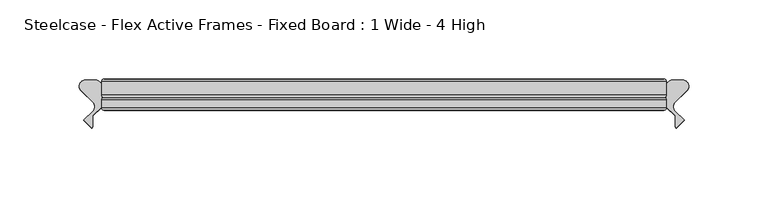
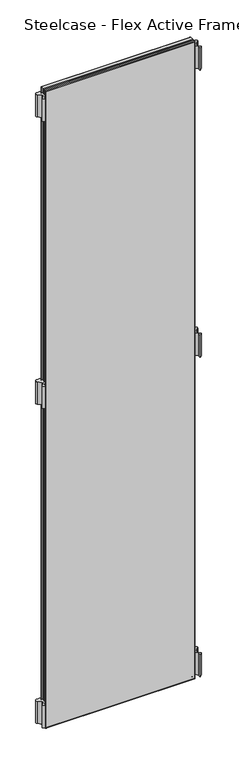
"""IFC4 building model written with IfcOpenShell, lengths in millimetres: furniture geometry, Steelcase - Flex Active Frames - Fixed Board : 1 Wide - 4 High."""

from ifc_helpers import new_model, si_unit, point, frame, frame_2d, origin, place, context, project, spatial, polyline, circle_curve, ellipse_curve, trimmed, segment, composite_curve, outline, extrude, source, transform, mapped, element, save
from ifc_brep_helpers import plane_surface, cylinder_surface, advanced_brep


def steelcase_flex_active_frames_fixed_board_1_wide_4_high_92ab0389(model_context):
    return source(origin(), model_context, "Body", "SolidModel", [
        extrude(outline(composite_curve([segment(polyline([(369.1158703, 12.5554375), (361.5795914, 5.0296817)]), True, "CONTINUOUS"), segment(trimmed(circle_curve(frame_2d((364.2717853, 2.3337233)), 3.81), [point((361.5795914, 5.0296817))], [point((361.5330632, -0.3149559))], True, "CARTESIAN"), True, "CONTINUOUS"), segment(polyline([(361.5330632, -0.3149559), (367.2700919, -6.2470172), (362.3163238, -11.2027231), (361.6103592, -10.299411), (361.6103592, -3.4250486), (356.108, 2.0686095), (356.108, 15.2513873)]), True, "CONTINUOUS"), segment(trimmed(circle_curve(frame_2d((359.918, 15.2513873)), 3.81), [point((356.108, 15.2513873))], [point((359.917995, 19.0613873))], False, "CARTESIAN"), True, "CONTINUOUS"), segment(polyline([(359.917995, 19.0613873), (366.4236713, 19.0613959)]), True, "CONTINUOUS"), segment(trimmed(circle_curve(frame_2d((366.4236763, 15.2513959)), 3.81), [point((366.4236713, 19.0613959))], [point((369.1158703, 12.5554375))], False, "CARTESIAN"), True, "CONTINUOUS")], self_intersect=False)), frame((0.0, 0.0, 811.4997887), z_axis=(0.0, 0.0, 1.0), x_axis=(1.0, 0.0, 0.0)), (0.0, 0.0, 1.0), 55.9983261),
        extrude(outline(composite_curve([segment(trimmed(circle_curve(frame_2d((-10.3156763, 15.2513959)), 3.81), [point((-13.0078703, 12.5554375))], [point((-10.3156713, 19.0613959))], False, "CARTESIAN"), True, "CONTINUOUS"), segment(polyline([(-10.3156713, 19.0613959), (-3.809995, 19.0613873)]), True, "CONTINUOUS"), segment(trimmed(circle_curve(frame_2d((-3.81, 15.2513873)), 3.81), [point((-3.809995, 19.0613873))], [point((0.0, 15.2513873))], False, "CARTESIAN"), True, "CONTINUOUS"), segment(polyline([(0.0, 15.2513873), (0.0, 2.0686095), (-5.5023592, -3.4250486), (-5.5023592, -10.299411), (-6.2083238, -11.2027231), (-11.1620919, -6.2470172), (-5.4250632, -0.3149559)]), True, "CONTINUOUS"), segment(trimmed(circle_curve(frame_2d((-8.1637853, 2.3337233)), 3.81), [point((-5.4250632, -0.3149559))], [point((-5.4715914, 5.0296817))], True, "CARTESIAN"), True, "CONTINUOUS"), segment(polyline([(-5.4715914, 5.0296817), (-13.0078703, 12.5554375)]), True, "CONTINUOUS")], self_intersect=False)), frame((0.0, 0.0, 811.4997887), z_axis=(0.0, 0.0, 1.0), x_axis=(1.0, 0.0, 0.0)), (0.0, 0.0, 1.0), 55.9983261),
        extrude(outline(composite_curve([segment(polyline([(369.1158703, 12.5554375), (361.5795914, 5.0296817)]), True, "CONTINUOUS"), segment(trimmed(circle_curve(frame_2d((364.2717853, 2.3337233)), 3.81), [point((361.5795914, 5.0296817))], [point((361.5330632, -0.3149559))], True, "CARTESIAN"), True, "CONTINUOUS"), segment(polyline([(361.5330632, -0.3149559), (367.2700919, -6.2470172), (362.3163238, -11.2027231), (361.6103592, -10.299411), (361.6103592, -3.4250486), (356.108, 2.0686095), (356.108, 15.2513873)]), True, "CONTINUOUS"), segment(trimmed(circle_curve(frame_2d((359.918, 15.2513873)), 3.81), [point((356.108, 15.2513873))], [point((359.917995, 19.0613873))], False, "CARTESIAN"), True, "CONTINUOUS"), segment(polyline([(359.917995, 19.0613873), (366.4236713, 19.0613959)]), True, "CONTINUOUS"), segment(trimmed(circle_curve(frame_2d((366.4236763, 15.2513959)), 3.81), [point((366.4236713, 19.0613959))], [point((369.1158703, 12.5554375))], False, "CARTESIAN"), True, "CONTINUOUS")], self_intersect=False)), frame((0.0, 0.0, 9.5000015), z_axis=(0.0, 0.0, 1.0), x_axis=(1.0, 0.0, 0.0)), (0.0, 0.0, 1.0), 55.9983261),
        extrude(outline(composite_curve([segment(polyline([(369.1158703, 12.5554375), (361.5795914, 5.0296817)]), True, "CONTINUOUS"), segment(trimmed(circle_curve(frame_2d((364.2717853, 2.3337233)), 3.81), [point((361.5795914, 5.0296817))], [point((361.5330632, -0.3149559))], True, "CARTESIAN"), True, "CONTINUOUS"), segment(polyline([(361.5330632, -0.3149559), (367.2700919, -6.2470172), (362.3163238, -11.2027231), (361.6103592, -10.299411), (361.6103592, -3.4250486), (356.108, 2.0686095), (356.108, 15.2513873)]), True, "CONTINUOUS"), segment(trimmed(circle_curve(frame_2d((359.918, 15.2513873)), 3.81), [point((356.108, 15.2513873))], [point((359.917995, 19.0613873))], False, "CARTESIAN"), True, "CONTINUOUS"), segment(polyline([(359.917995, 19.0613873), (366.4236713, 19.0613959)]), True, "CONTINUOUS"), segment(trimmed(circle_curve(frame_2d((366.4236763, 15.2513959)), 3.81), [point((366.4236713, 19.0613959))], [point((369.1158703, 12.5554375))], False, "CARTESIAN"), True, "CONTINUOUS")], self_intersect=False)), frame((0.0, 0.0, 1532.4476006), z_axis=(0.0, 0.0, 1.0), x_axis=(1.0, 0.0, 0.0)), (0.0, 0.0, 1.0), 55.9983261),
        extrude(outline(composite_curve([segment(trimmed(circle_curve(frame_2d((-10.3156763, 15.2513959)), 3.81), [point((-13.0078703, 12.5554375))], [point((-10.3156713, 19.0613959))], False, "CARTESIAN"), True, "CONTINUOUS"), segment(polyline([(-10.3156713, 19.0613959), (-3.809995, 19.0613873)]), True, "CONTINUOUS"), segment(trimmed(circle_curve(frame_2d((-3.81, 15.2513873)), 3.81), [point((-3.809995, 19.0613873))], [point((0.0, 15.2513873))], False, "CARTESIAN"), True, "CONTINUOUS"), segment(polyline([(0.0, 15.2513873), (0.0, 2.0686095), (-5.5023592, -3.4250486), (-5.5023592, -10.299411), (-6.2083238, -11.2027231), (-11.1620919, -6.2470172), (-5.4250632, -0.3149559)]), True, "CONTINUOUS"), segment(trimmed(circle_curve(frame_2d((-8.1637853, 2.3337233)), 3.81), [point((-5.4250632, -0.3149559))], [point((-5.4715914, 5.0296817))], True, "CARTESIAN"), True, "CONTINUOUS"), segment(polyline([(-5.4715914, 5.0296817), (-13.0078703, 12.5554375)]), True, "CONTINUOUS")], self_intersect=False)), frame((0.0, 0.0, 9.5000015), z_axis=(0.0, 0.0, 1.0), x_axis=(1.0, 0.0, 0.0)), (0.0, 0.0, 1.0), 55.9983261),
        extrude(outline(composite_curve([segment(trimmed(circle_curve(frame_2d((-10.3156763, 15.2513959)), 3.81), [point((-13.0078703, 12.5554375))], [point((-10.3156713, 19.0613959))], False, "CARTESIAN"), True, "CONTINUOUS"), segment(polyline([(-10.3156713, 19.0613959), (-3.809995, 19.0613873)]), True, "CONTINUOUS"), segment(trimmed(circle_curve(frame_2d((-3.81, 15.2513873)), 3.81), [point((-3.809995, 19.0613873))], [point((0.0, 15.2513873))], False, "CARTESIAN"), True, "CONTINUOUS"), segment(polyline([(0.0, 15.2513873), (0.0, 2.0686095), (-5.5023592, -3.4250486), (-5.5023592, -10.299411), (-6.2083238, -11.2027231), (-11.1620919, -6.2470172), (-5.4250632, -0.3149559)]), True, "CONTINUOUS"), segment(trimmed(circle_curve(frame_2d((-8.1637853, 2.3337233)), 3.81), [point((-5.4250632, -0.3149559))], [point((-5.4715914, 5.0296817))], True, "CARTESIAN"), True, "CONTINUOUS"), segment(polyline([(-5.4715914, 5.0296817), (-13.0078703, 12.5554375)]), True, "CONTINUOUS")], self_intersect=False)), frame((0.0, 0.0, 1532.4476006), z_axis=(0.0, 0.0, 1.0), x_axis=(1.0, 0.0, 0.0)), (0.0, 0.0, 1.0), 55.9983261),
        extrude(outline(polyline([(354.6079947, 19.7016999), (354.6079947, 8.0000171), (1.5000053, 8.0000171), (1.5000053, 19.7016999), (354.6079947, 19.7016999)])), frame((0.0, 0.0, 1.5000053), z_axis=(0.0, 0.0, 1.0), x_axis=(1.0, 0.0, 0.0)), (0.0, 0.0, 1.0), 1596.9459893),
        advanced_brep(
        [(0.0, 9.5000224, 1599.946), (0.0, 9.5000224, 0.0), (1.5000053, 8.0000171, 1.5000053), (1.5000053, 8.0000171, 1598.4459947), (0.0, 18.2016946, 1599.946), (0.0, 18.2016946, 0.0), (1.5000053, 19.7016999, 1.5000053), (1.5000053, 19.7016999, 1598.4459947), (356.108, 9.5000224, 0.0), (354.6079947, 8.0000171, 1.5000053), (356.108, 18.2016946, 0.0), (354.6079947, 19.7016999, 1.5000053), (356.108, 9.5000224, 1599.946), (354.6079947, 8.0000171, 1598.4459947), (356.108, 18.2016946, 1599.946), (354.6079947, 19.7016999, 1598.4459947)],
        [
            (0, 1),
            (1, 2, ellipse_curve(frame((1.5000053, 9.5000224, 1.5000053), z_axis=(-0.7071067811865475, 0.0, 0.7071067811865475), x_axis=(0.7071067811865474, 0.0, 0.7071067811865476)), 2.1213279, 1.5000053)),
            (2, 3),
            (3, 0, ellipse_curve(frame((1.5000053, 9.5000224, 1598.4459947), z_axis=(-0.7071067811865475, 0.0, -0.7071067811865475), x_axis=(-0.7071067811865474, 0.0, 0.7071067811865476)), 2.1213279, 1.5000053)),
            (4, 5),
            (5, 1),
            (0, 4),
            (2, 6),
            (6, 7),
            (7, 3),
            (1, 8),
            (8, 9, ellipse_curve(frame((354.6079947, 9.5000224, 1.5000053), z_axis=(-0.7071067811865475, 0.0, -0.7071067811865475), x_axis=(-0.7071067811865476, 0.0, 0.7071067811865474)), 2.1213279, 1.5000053)),
            (9, 2),
            (5, 10),
            (10, 8),
            (9, 11),
            (11, 6),
            (8, 12),
            (12, 13, ellipse_curve(frame((354.6079947, 9.5000224, 1598.4459947), z_axis=(0.7071067811865475, 0.0, -0.7071067811865475), x_axis=(-0.7071067811865474, 0.0, -0.7071067811865476)), 2.1213279, 1.5000053)),
            (13, 9),
            (10, 14),
            (14, 12),
            (13, 15),
            (15, 11),
            (12, 0),
            (3, 13),
            (14, 4),
            (7, 15),
            (6, 5, ellipse_curve(frame((1.5000053, 18.2016946, 1.5000053), z_axis=(-0.7071067811865475, 0.0, 0.7071067811865475), x_axis=(0.7071067811865474, 0.0, 0.7071067811865476)), 2.1213279, 1.5000053)),
            (4, 7, ellipse_curve(frame((1.5000053, 18.2016946, 1598.4459947), z_axis=(-0.7071067811865475, 0.0, -0.7071067811865475), x_axis=(-0.7071067811865474, 0.0, 0.7071067811865476)), 2.1213279, 1.5000053)),
            (11, 10, ellipse_curve(frame((354.6079947, 18.2016946, 1.5000053), z_axis=(-0.7071067811865475, 0.0, -0.7071067811865475), x_axis=(-0.7071067811865476, 0.0, 0.7071067811865474)), 2.1213279, 1.5000053)),
            (15, 14, ellipse_curve(frame((354.6079947, 18.2016946, 1598.4459947), z_axis=(0.7071067811865475, 0.0, -0.7071067811865475), x_axis=(-0.7071067811865474, 0.0, -0.7071067811865476)), 2.1213279, 1.5000053)),
        ],
        [
            cylinder_surface(frame((1.5000053, 9.5000224, 1599.946), z_axis=(0.0, 0.0, 1.0), x_axis=(1.0, 0.0, 0.0)), 1.5000053),
            plane_surface(frame((0.0, 9.5000224, 1599.946), z_axis=(-1.0, 0.0, 0.0), x_axis=(0.0, 0.0, -1.0))),
            plane_surface(frame((1.5000053, 19.7016999, 1598.4459947), z_axis=(1.0, 0.0, 0.0), x_axis=(0.0, 0.0, -1.0))),
            cylinder_surface(frame((0.0, 9.5000224, 1.5000053), z_axis=(-1.0, 0.0, 0.0), x_axis=(0.0, 0.0, 1.0)), 1.5000053),
            plane_surface(frame((0.0, 9.5000224, 0.0), z_axis=(0.0, 0.0, -1.0), x_axis=(1.0, 0.0, 0.0))),
            plane_surface(frame((1.5000053, 19.7016999, 1.5000053), z_axis=(0.0, 0.0, 1.0), x_axis=(1.0, 0.0, 0.0))),
            cylinder_surface(frame((354.6079947, 9.5000224, 0.0), z_axis=(0.0, 0.0, -1.0), x_axis=(-1.0, 0.0, 0.0)), 1.5000053),
            plane_surface(frame((356.108, 9.5000224, 0.0), z_axis=(1.0, 0.0, 0.0), x_axis=(0.0, 0.0, 1.0))),
            plane_surface(frame((354.6079947, 19.7016999, 1.5000053), z_axis=(-1.0, 0.0, 0.0), x_axis=(0.0, 0.0, 1.0))),
            cylinder_surface(frame((356.108, 9.5000224, 1598.4459947), z_axis=(1.0, 0.0, 0.0), x_axis=(0.0, 0.0, -1.0)), 1.5000053),
            plane_surface(frame((356.108, 9.5000224, 1599.946), z_axis=(0.0, 0.0, 1.0), x_axis=(-1.0, 0.0, 0.0))),
            plane_surface(frame((354.6079947, 19.7016999, 1598.4459947), z_axis=(0.0, 0.0, -1.0), x_axis=(-1.0, 0.0, 0.0))),
            cylinder_surface(frame((1.5000053, 18.2016946, 1599.946), z_axis=(0.0, 0.0, 1.0), x_axis=(1.0, 0.0, 0.0)), 1.5000053),
            cylinder_surface(frame((0.0, 18.2016946, 1.5000053), z_axis=(-1.0, 0.0, 0.0), x_axis=(0.0, 0.0, 1.0)), 1.5000053),
            cylinder_surface(frame((354.6079947, 18.2016946, 0.0), z_axis=(0.0, 0.0, -1.0), x_axis=(-1.0, 0.0, 0.0)), 1.5000053),
            cylinder_surface(frame((356.108, 18.2016946, 1598.4459947), z_axis=(1.0, 0.0, 0.0), x_axis=(0.0, 0.0, -1.0)), 1.5000053),
        ],
        [
            (0, [[1, 2, 3, 4]]),
            (1, [[5, 6, -1, 7]]),
            (2, [[-3, 8, 9, 10]]),
            (3, [[11, 12, 13, -2]]),
            (4, [[14, 15, -11, -6]]),
            (5, [[-13, 16, 17, -8]]),
            (6, [[18, 19, 20, -12]]),
            (7, [[21, 22, -18, -15]]),
            (8, [[-20, 23, 24, -16]]),
            (9, [[25, -4, 26, -19]]),
            (10, [[27, -7, -25, -22]]),
            (11, [[-26, -10, 28, -23]]),
            (12, [[-9, 29, -5, 30]]),
            (13, [[-17, 31, -14, -29]]),
            (14, [[-24, 32, -21, -31]]),
            (15, [[-28, -30, -27, -32]]),
        ],
    ),
        extrude(outline(polyline([(354.6079947, 8.0000171), (354.6079947, 0.0), (1.5000053, 0.0), (1.5000053, 8.0000171), (354.6079947, 8.0000171)])), frame((0.0, 0.0, 1.5000053), z_axis=(0.0, 0.0, 1.0), x_axis=(1.0, 0.0, 0.0)), (0.0, 0.0, 1.0), 1596.9459893),
        advanced_brep(
        [(0.0, 1.5000053, 1599.946), (0.0, 1.5000053, 0.0), (1.5000053, 0.0, 1.5000053), (1.5000053, 0.0, 1598.4459947), (0.0, 6.5000117, 1599.946), (0.0, 6.5000117, 0.0), (1.5000053, 8.0000171, 1598.4459947), (1.5000053, 8.0000171, 1.5000053), (356.108, 1.5000053, 0.0), (354.6079947, 0.0, 1.5000053), (356.108, 6.5000117, 0.0), (354.6079947, 8.0000171, 1.5000053), (356.108, 1.5000053, 1599.946), (354.6079947, 0.0, 1598.4459947), (356.108, 6.5000117, 1599.946), (354.6079947, 8.0000171, 1598.4459947)],
        [
            (0, 1),
            (1, 2, ellipse_curve(frame((1.5000053, 1.5000053, 1.5000053), z_axis=(-0.7071067811865475, 0.0, 0.7071067811865475), x_axis=(0.7071067811865474, 0.0, 0.7071067811865476)), 2.1213279, 1.5000053)),
            (2, 3),
            (3, 0, ellipse_curve(frame((1.5000053, 1.5000053, 1598.4459947), z_axis=(-0.7071067811865475, 0.0, -0.7071067811865475), x_axis=(-0.7071067811865474, 0.0, 0.7071067811865476)), 2.1213279, 1.5000053)),
            (4, 5),
            (5, 1),
            (0, 4),
            (6, 7),
            (7, 5, ellipse_curve(frame((1.5000053, 6.5000117, 1.5000053), z_axis=(-0.7071067811865475, 0.0, 0.7071067811865475), x_axis=(0.7071067811865474, 0.0, 0.7071067811865476)), 2.1213279, 1.5000053)),
            (4, 6, ellipse_curve(frame((1.5000053, 6.5000117, 1598.4459947), z_axis=(-0.7071067811865475, 0.0, -0.7071067811865475), x_axis=(-0.7071067811865474, 0.0, 0.7071067811865476)), 2.1213279, 1.5000053)),
            (2, 7),
            (6, 3),
            (1, 8),
            (8, 9, ellipse_curve(frame((354.6079947, 1.5000053, 1.5000053), z_axis=(-0.7071067811865475, 0.0, -0.7071067811865475), x_axis=(-0.7071067811865476, 0.0, 0.7071067811865474)), 2.1213279, 1.5000053)),
            (9, 2),
            (5, 10),
            (10, 8),
            (7, 11),
            (11, 10, ellipse_curve(frame((354.6079947, 6.5000117, 1.5000053), z_axis=(-0.7071067811865475, 0.0, -0.7071067811865475), x_axis=(-0.7071067811865476, 0.0, 0.7071067811865474)), 2.1213279, 1.5000053)),
            (9, 11),
            (8, 12),
            (12, 13, ellipse_curve(frame((354.6079947, 1.5000053, 1598.4459947), z_axis=(0.7071067811865475, 0.0, -0.7071067811865475), x_axis=(-0.7071067811865474, 0.0, -0.7071067811865476)), 2.1213279, 1.5000053)),
            (13, 9),
            (10, 14),
            (14, 12),
            (11, 15),
            (15, 14, ellipse_curve(frame((354.6079947, 6.5000117, 1598.4459947), z_axis=(0.7071067811865475, 0.0, -0.7071067811865475), x_axis=(-0.7071067811865474, 0.0, -0.7071067811865476)), 2.1213279, 1.5000053)),
            (13, 15),
            (12, 0),
            (3, 13),
            (14, 4),
            (15, 6),
        ],
        [
            cylinder_surface(frame((1.5000053, 1.5000053, 1599.946), z_axis=(0.0, 0.0, 1.0), x_axis=(1.0, 0.0, 0.0)), 1.5000053),
            plane_surface(frame((0.0, 1.5000053, 1599.946), z_axis=(-1.0, 0.0, 0.0), x_axis=(0.0, 0.0, -1.0))),
            cylinder_surface(frame((1.5000053, 6.5000117, 1599.946), z_axis=(0.0, 0.0, 1.0), x_axis=(1.0, 0.0, 0.0)), 1.5000053),
            plane_surface(frame((1.5000053, 8.0000171, 1598.4459947), z_axis=(1.0, 0.0, 0.0), x_axis=(0.0, 0.0, -1.0))),
            cylinder_surface(frame((0.0, 1.5000053, 1.5000053), z_axis=(-1.0, 0.0, 0.0), x_axis=(0.0, 0.0, 1.0)), 1.5000053),
            plane_surface(frame((0.0, 1.5000053, 0.0), z_axis=(0.0, 0.0, -1.0), x_axis=(1.0, 0.0, 0.0))),
            cylinder_surface(frame((0.0, 6.5000117, 1.5000053), z_axis=(-1.0, 0.0, 0.0), x_axis=(0.0, 0.0, 1.0)), 1.5000053),
            plane_surface(frame((1.5000053, 8.0000171, 1.5000053), z_axis=(0.0, 0.0, 1.0), x_axis=(1.0, 0.0, 0.0))),
            cylinder_surface(frame((354.6079947, 1.5000053, 0.0), z_axis=(0.0, 0.0, -1.0), x_axis=(-1.0, 0.0, 0.0)), 1.5000053),
            plane_surface(frame((356.108, 1.5000053, 0.0), z_axis=(1.0, 0.0, 0.0), x_axis=(0.0, 0.0, 1.0))),
            cylinder_surface(frame((354.6079947, 6.5000117, 0.0), z_axis=(0.0, 0.0, -1.0), x_axis=(-1.0, 0.0, 0.0)), 1.5000053),
            plane_surface(frame((354.6079947, 8.0000171, 1.5000053), z_axis=(-1.0, 0.0, 0.0), x_axis=(0.0, 0.0, 1.0))),
            cylinder_surface(frame((356.108, 1.5000053, 1598.4459947), z_axis=(1.0, 0.0, 0.0), x_axis=(0.0, 0.0, -1.0)), 1.5000053),
            plane_surface(frame((356.108, 1.5000053, 1599.946), z_axis=(0.0, 0.0, 1.0), x_axis=(-1.0, 0.0, 0.0))),
            cylinder_surface(frame((356.108, 6.5000117, 1598.4459947), z_axis=(1.0, 0.0, 0.0), x_axis=(0.0, 0.0, -1.0)), 1.5000053),
            plane_surface(frame((354.6079947, 8.0000171, 1598.4459947), z_axis=(0.0, 0.0, -1.0), x_axis=(-1.0, 0.0, 0.0))),
        ],
        [
            (0, [[1, 2, 3, 4]]),
            (1, [[5, 6, -1, 7]]),
            (2, [[8, 9, -5, 10]]),
            (3, [[-3, 11, -8, 12]]),
            (4, [[13, 14, 15, -2]]),
            (5, [[16, 17, -13, -6]]),
            (6, [[18, 19, -16, -9]]),
            (7, [[-15, 20, -18, -11]]),
            (8, [[21, 22, 23, -14]]),
            (9, [[24, 25, -21, -17]]),
            (10, [[26, 27, -24, -19]]),
            (11, [[-23, 28, -26, -20]]),
            (12, [[29, -4, 30, -22]]),
            (13, [[31, -7, -29, -25]]),
            (14, [[32, -10, -31, -27]]),
            (15, [[-30, -12, -32, -28]]),
        ],
    ),
    ])


if __name__ == "__main__":
    model = new_model("IFC4")
    model_context = context("Model", 3, world=origin())
    ifc_project = project(units=[si_unit("LENGTHUNIT", "METRE", prefix="MILLI")], contexts=[model_context])
    site = spatial("IfcSite", under=ifc_project)
    building = spatial("IfcBuilding", under=site)
    placement = place(None, origin())
    steelcase_flex_active_frames_fixed_board_1_wide_4_high_shape = steelcase_flex_active_frames_fixed_board_1_wide_4_high_92ab0389(model_context)
    element("IfcFurniture", 1, ObjectType="Steelcase - Flex Active Frames - Fixed Board : 1 Wide - 4 High", at=placement, inside=building, context=model_context, shape_type="MappedRepresentation", body=[
        mapped(steelcase_flex_active_frames_fixed_board_1_wide_4_high_shape, transform((0.0, 0.0, 0.0), x_axis=(1.0, 0.0, 0.0), y_axis=(0.0, 1.0, 0.0), z_axis=(0.0, 0.0, 1.0))),
    ])
    save(model, "model.ifc")
